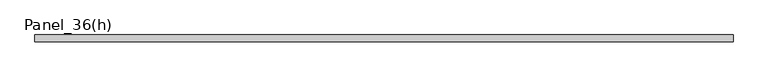
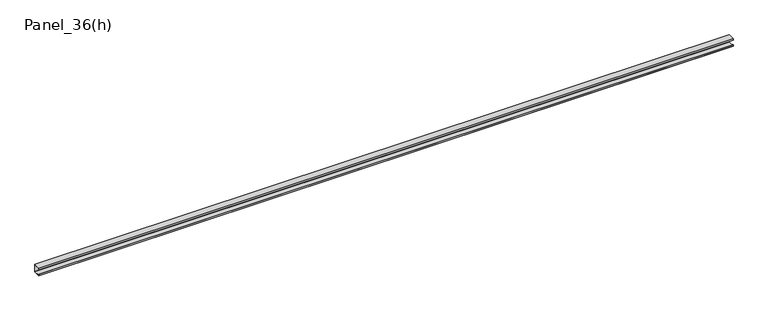
"""IFC4 building model written with IfcOpenShell, lengths in millimetres: plate geometry, Panel_36(h)."""

import ifcopenshell
import ifcopenshell.guid

model = None  # the IFC model being written
_history = None  # IfcOwnerHistory: only IFC2X3 demands one
_inside = {}  # id of a spatial element -> (the spatial element, [elements in it])
_under = {}  # id of a project, library or spatial element -> (it, [spatial elements below it])
_declared = {}  # id of a project -> (the project, [libraries it declares])
_typed = {}  # id of a type object -> (the type object, [elements of that type])
_made_of = {}  # id of a material, layer set ... -> (it, [elements and type objects made of it])


def new_model(schema):
    """Start an empty IFC model of exactly this schema.

    Asked for "IFC4X3", IfcOpenShell would pick the latest addendum, in which some entities
    have other attributes; the version numbers below select the first issue.
    IFC2X3 requires an IfcOwnerHistory on every rooted entity: one is made here for all.
    """
    global model, _history
    if schema == "IFC4X3":
        model = ifcopenshell.file(schema_version=(4, 3, 0, 0))
    else:
        model = ifcopenshell.file(schema=schema)
    _inside.clear()
    _under.clear()
    _declared.clear()
    _typed.clear()
    _made_of.clear()
    _history = None
    if model.schema == "IFC2X3":
        org = make("IfcOrganization", Name="unknown")
        user = make(
            "IfcPersonAndOrganization",
            ThePerson=make("IfcPerson", FamilyName="unknown"),
            TheOrganization=org,
        )
        app = make(
            "IfcApplication",
            ApplicationDeveloper=org,
            Version="unknown",
            ApplicationFullName="unknown",
            ApplicationIdentifier="unknown",
        )
        _history = make(
            "IfcOwnerHistory",
            OwningUser=user,
            OwningApplication=app,
            ChangeAction="ADDED",
            CreationDate=0,
        )
    return model


def make(cls, **values):
    """One entity of the class cls with the attributes given. An attribute that is None is left unset."""
    return model.create_entity(
        cls, **{name: value for name, value in values.items() if value is not None}
    )


def rooted(cls, **values):
    """An entity with a GlobalId (a new one), such as an element, a storey or a relation."""
    return make(cls, GlobalId=ifcopenshell.guid.new(), OwnerHistory=_history, **values)


def si_unit(unit_type, name, prefix=None):
    """IfcSIUnit, for example si_unit("LENGTHUNIT", "METRE", prefix="MILLI")."""
    return make("IfcSIUnit", UnitType=unit_type, Prefix=prefix, Name=name)


def assignment(units):
    """IfcUnitAssignment: the units of a project."""
    return None if units is None else make("IfcUnitAssignment", Units=units)


def point(xyz):
    """IfcCartesianPoint."""
    return None if xyz is None else make("IfcCartesianPoint", Coordinates=xyz)


def direction(xyz):
    """IfcDirection."""
    return None if xyz is None else make("IfcDirection", DirectionRatios=xyz)


def frame(location, z_axis=None, x_axis=None):
    """IfcAxis2Placement3D, a coordinate frame: its origin and axes. An axis left out is left unset."""
    return make(
        "IfcAxis2Placement3D",
        Location=point(location),
        Axis=direction(z_axis),
        RefDirection=direction(x_axis),
    )


def origin():
    """The frame at (0, 0, 0) with its axes left unset."""
    return frame((0.0, 0.0, 0.0))


def place(relative_to, where):
    """IfcLocalPlacement: puts the frame where relative to a parent placement (None: the world)."""
    return make(
        "IfcLocalPlacement", PlacementRelTo=relative_to, RelativePlacement=where
    )


def context(
    kind, dimensions, precision=None, world=None, true_north=None, identifier=None
):
    """IfcGeometricRepresentationContext, for example the 3D "Model" context."""
    return make(
        "IfcGeometricRepresentationContext",
        ContextIdentifier=identifier,
        ContextType=kind,
        CoordinateSpaceDimension=dimensions,
        Precision=precision,
        WorldCoordinateSystem=world,
        TrueNorth=true_north,
    )


def project(units=None, contexts=None):
    """IfcProject with its units and contexts."""
    return rooted(
        "IfcProject",
        Name="project",
        RepresentationContexts=contexts,
        UnitsInContext=assignment(units),
    )


def spatial(cls, under=None, at=None, **own):
    """A site, building, storey or space (cls), placed at a placement, below another one or the project."""
    s = rooted(cls, ObjectPlacement=at, **own)
    if under is not None:
        _under.setdefault(under.id(), (under, []))[1].append(s)
    return s


def polyline(points):
    """IfcPolyline through the points."""
    return make("IfcPolyline", Points=[point(p) for p in points])


def outline(outer, holes=None, kind="AREA"):
    """IfcArbitraryClosedProfileDef: a profile drawn as a closed curve; with holes, ...WithVoids."""
    if holes is None:
        return make("IfcArbitraryClosedProfileDef", ProfileType=kind, OuterCurve=outer)
    return make(
        "IfcArbitraryProfileDefWithVoids",
        ProfileType=kind,
        OuterCurve=outer,
        InnerCurves=holes,
    )


def extrude(swept, where, along, depth):
    """IfcExtrudedAreaSolid: the profile swept, set in the frame where, extruded along a direction by depth."""
    return make(
        "IfcExtrudedAreaSolid",
        SweptArea=swept,
        Position=where,
        ExtrudedDirection=direction(along),
        Depth=depth,
    )


def shape(context_of_items, identifier, shape_type, items):
    """IfcShapeRepresentation: the items that make up one representation, for example the "Body"."""
    return make(
        "IfcShapeRepresentation",
        ContextOfItems=context_of_items,
        RepresentationIdentifier=identifier,
        RepresentationType=shape_type,
        Items=items,
    )


def source(mapping_origin, context_of_items, identifier, shape_type, items):
    """IfcRepresentationMap: a shape defined once, which mapped items show again and again."""
    return make(
        "IfcRepresentationMap",
        MappingOrigin=mapping_origin,
        MappedRepresentation=shape(context_of_items, identifier, shape_type, items),
    )


def transform(
    local_origin,
    x_axis=None,
    y_axis=None,
    z_axis=None,
    scale=None,
    scale2=None,
    scale3=None,
    uniform=True,
):
    """IfcCartesianTransformationOperator3D, or its non-uniform kind. x_axis, y_axis, z_axis: its Axis1, 2, 3."""
    if uniform:
        return make(
            "IfcCartesianTransformationOperator3D",
            Axis1=direction(x_axis),
            Axis2=direction(y_axis),
            LocalOrigin=point(local_origin),
            Scale=scale,
            Axis3=direction(z_axis),
        )
    return make(
        "IfcCartesianTransformationOperator3DnonUniform",
        Axis1=direction(x_axis),
        Axis2=direction(y_axis),
        LocalOrigin=point(local_origin),
        Scale=scale,
        Axis3=direction(z_axis),
        Scale2=scale2,
        Scale3=scale3,
    )


def mapped(mapping_source, mapping_target):
    """IfcMappedItem: shows the shape of a source again, moved by a transform."""
    return make(
        "IfcMappedItem", MappingSource=mapping_source, MappingTarget=mapping_target
    )


def made_of(thing, what):
    """Note that an element or type object is made of a material, layer set ...; save() writes the relation."""
    if what is not None:
        _made_of.setdefault(what.id(), (what, []))[1].append(thing)
    return thing


def element(
    cls,
    number,
    at=None,
    inside=None,
    cuts=None,
    type_object=None,
    material=None,
    context=None,
    identifier="Body",
    shape_type=None,
    held_by="IfcProductDefinitionShape",
    body=None,
    shapes=None,
    **own,
):
    """One element of the class cls, such as IfcWall. Its Tag is "e" and its number.

    at: its placement. inside: the storey or other place that contains it. cuts: it is an
    opening in that element (IfcRelVoidsElement). A single representation is given by context,
    identifier, shape_type and body (its items); several are given by shapes. held_by: the class
    of the entity that holds the representations. save() writes the other relations.
    """
    e = rooted(cls, Tag="e%d" % number, ObjectPlacement=at, **own)
    if body is not None:
        shapes = [shape(context, identifier, shape_type, body)]
    if shapes is not None:
        e.Representation = make(held_by, Representations=shapes)
    if inside is not None:
        _inside.setdefault(inside.id(), (inside, []))[1].append(e)
    if cuts is not None:
        rooted(
            "IfcRelVoidsElement", RelatingBuildingElement=cuts, RelatedOpeningElement=e
        )
    if type_object is not None:
        _typed.setdefault(type_object.id(), (type_object, []))[1].append(e)
    return made_of(e, material)


def aggregate(whole, parts):
    """IfcRelAggregates: a whole, such as a stair, and the parts it consists of."""
    return rooted("IfcRelAggregates", RelatingObject=whole, RelatedObjects=parts)


def save(model, path):
    """Write the relations noted so far, then the file.

    IfcRelAggregates (storeys below a building ...), IfcRelContainedInSpatialStructure (elements
    in a storey), IfcRelDefinesByType, IfcRelAssociatesMaterial and IfcRelDeclares: one each for
    every whole, place, type object, material and project.
    """
    for whole, parts in _under.values():
        aggregate(whole, parts)
    for where, things in _inside.values():
        rooted(
            "IfcRelContainedInSpatialStructure",
            RelatedElements=things,
            RelatingStructure=where,
        )
    for kind, things in _typed.values():
        rooted("IfcRelDefinesByType", RelatedObjects=things, RelatingType=kind)
    for what, things in _made_of.values():
        rooted("IfcRelAssociatesMaterial", RelatedObjects=things, RelatingMaterial=what)
    for by, libraries in _declared.values():
        rooted("IfcRelDeclares", RelatingContext=by, RelatedDefinitions=libraries)
    model.write(path)


def panel_36_h_26596d96(model_context):
    return source(origin(), model_context, "Body", "SweptSolid", [
        extrude(outline(polyline([(1780.0000002, 36.0), (1780.0000002, 35.2), (-1780.0000002, 35.2), (-1780.0000002, 36.0), (1780.0000002, 36.0)])), frame((0.0, 0.0, 43.0), z_axis=(0.0, 0.0, 1.0), x_axis=(1.0, 0.0, 0.0)), (0.0, 0.0, 1.0), 34.0),
        extrude(outline(polyline([(0.0, 80.0), (36.0, 80.0), (36.0, 77.0), (35.2, 77.0), (35.2, 79.2), (0.8, 79.2), (0.8, 72.0), (0.0, 72.0), (0.0, 80.0)])), frame((-1780.0000002, 0.0, 0.0), z_axis=(1.0, 0.0, 0.0), x_axis=(0.0, 1.0, 0.0)), (0.0, 0.0, 1.0), 3560.0000003),
        extrude(outline(polyline([(0.0, 40.0), (0.0, 48.0), (0.8, 48.0), (0.8, 40.8), (35.2, 40.8), (35.2, 43.0), (36.0, 43.0), (36.0, 40.0), (0.0, 40.0)])), frame((-1780.0000002, 0.0, 0.0), z_axis=(1.0, 0.0, 0.0), x_axis=(0.0, 1.0, 0.0)), (0.0, 0.0, 1.0), 3560.0000003),
    ])


if __name__ == "__main__":
    model = new_model("IFC4")
    model_context = context("Model", 3, world=origin())
    ifc_project = project(units=[si_unit("LENGTHUNIT", "METRE", prefix="MILLI")], contexts=[model_context])
    site = spatial("IfcSite", under=ifc_project)
    building = spatial("IfcBuilding", under=site)
    placement = place(None, origin())
    panel_36_h_shape = panel_36_h_26596d96(model_context)
    element("IfcPlate", 1, ObjectType="Panel_36(h)", at=placement, inside=building, context=model_context, shape_type="MappedRepresentation", body=[
        mapped(panel_36_h_shape, transform((0.0, 0.0, 0.0), x_axis=(1.0, 0.0, 0.0), y_axis=(0.0, 1.0, 0.0), z_axis=(0.0, 0.0, 1.0))),
    ])
    save(model, "model.ifc")
